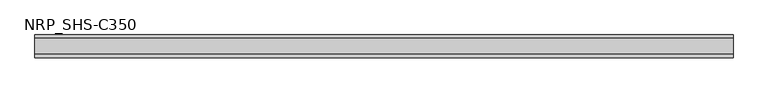
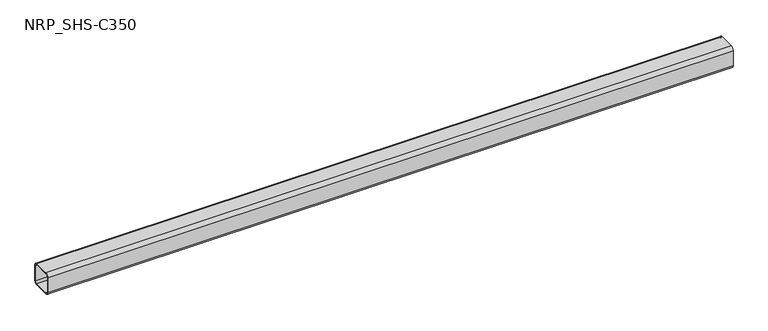
"""IFC4 building model written with IfcOpenShell, lengths in millimetres: member geometry, NRP_SHS-C350."""

from ifc_helpers import new_model, si_unit, point, frame, frame_2d, origin, place, context, project, spatial, polyline, circle_curve, trimmed, segment, composite_curve, outline, extrude, source, transform, mapped, element, save


def nrp_shs_c350_d1c27c79(model_context):
    return source(origin(), model_context, "Body", "SweptSolid", [
        extrude(outline(composite_curve([segment(trimmed(circle_curve(frame_2d((-32.0, 32.0)), 12.5), [point((-44.5, 32.0))], [point((-32.0, 44.5))], False, "CARTESIAN"), True, "CONTINUOUS"), segment(polyline([(-32.0, 44.5), (32.0, 44.5)]), True, "CONTINUOUS"), segment(trimmed(circle_curve(frame_2d((32.0, 32.0)), 12.5), [point((32.0, 44.5))], [point((44.5, 32.0))], False, "CARTESIAN"), True, "CONTINUOUS"), segment(polyline([(44.5, 32.0), (44.5, -32.0)]), True, "CONTINUOUS"), segment(trimmed(circle_curve(frame_2d((32.0, -32.0)), 12.5), [point((44.5, -32.0))], [point((32.0, -44.5))], False, "CARTESIAN"), True, "CONTINUOUS"), segment(polyline([(32.0, -44.5), (-32.0, -44.5)]), True, "CONTINUOUS"), segment(trimmed(circle_curve(frame_2d((-32.0, -32.0)), 12.5), [point((-32.0, -44.5))], [point((-44.5, -32.0))], False, "CARTESIAN"), True, "CONTINUOUS"), segment(polyline([(-44.5, -32.0), (-44.5, 32.0)]), True, "CONTINUOUS")], self_intersect=False), holes=[composite_curve([segment(polyline([(32.0, 39.5), (-32.0, 39.5)]), True, "CONTINUOUS"), segment(trimmed(circle_curve(frame_2d((-32.0, 32.0)), 7.5), [point((-32.0, 39.5))], [point((-39.5, 32.0))], True, "CARTESIAN"), True, "CONTINUOUS"), segment(polyline([(-39.5, 32.0), (-39.5, -32.0)]), True, "CONTINUOUS"), segment(trimmed(circle_curve(frame_2d((-32.0, -32.0)), 7.5), [point((-39.5, -32.0))], [point((-32.0, -39.5))], True, "CARTESIAN"), True, "CONTINUOUS"), segment(polyline([(-32.0, -39.5), (32.0, -39.5)]), True, "CONTINUOUS"), segment(trimmed(circle_curve(frame_2d((32.0, -32.0)), 7.5), [point((32.0, -39.5))], [point((39.5, -32.0))], True, "CARTESIAN"), True, "CONTINUOUS"), segment(polyline([(39.5, -32.0), (39.5, 32.0)]), True, "CONTINUOUS"), segment(trimmed(circle_curve(frame_2d((32.0, 32.0)), 7.5), [point((39.5, 32.0))], [point((32.0, 39.5))], True, "CARTESIAN"), True, "CONTINUOUS")], self_intersect=False)]), frame((-1324.5, 0.0, 0.0), z_axis=(1.0, 0.0, 0.0), x_axis=(0.0, 1.0, 0.0)), (0.0, 0.0, 1.0), 2737.0),
    ])


if __name__ == "__main__":
    model = new_model("IFC4")
    model_context = context("Model", 3, world=origin())
    ifc_project = project(units=[si_unit("LENGTHUNIT", "METRE", prefix="MILLI")], contexts=[model_context])
    site = spatial("IfcSite", under=ifc_project)
    building = spatial("IfcBuilding", under=site)
    placement = place(None, origin())
    nrp_shs_c350_shape = nrp_shs_c350_d1c27c79(model_context)
    element("IfcMember", 1, ObjectType="NRP_SHS-C350", at=placement, inside=building, context=model_context, shape_type="MappedRepresentation", body=[
        mapped(nrp_shs_c350_shape, transform((0.0, 0.0, 0.0), x_axis=(1.0, 0.0, 0.0), y_axis=(0.0, 1.0, 0.0), z_axis=(0.0, 0.0, 1.0))),
    ])
    save(model, "model.ifc")
